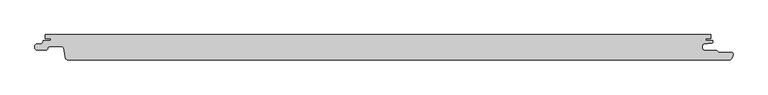
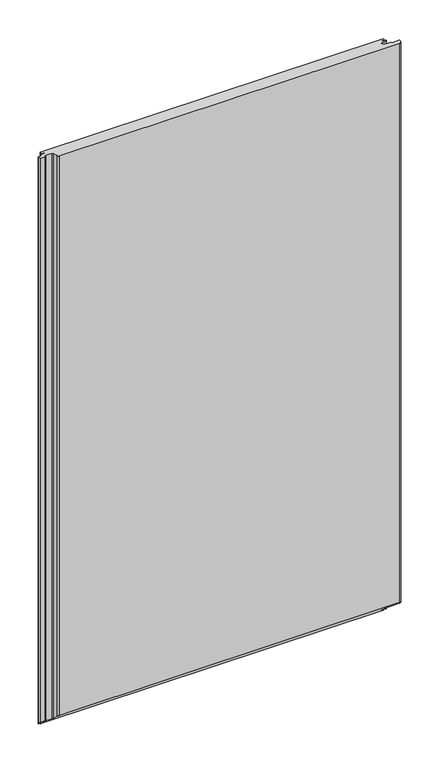
"""IFC4 building model written with IfcOpenShell, lengths in millimetres: proxy geometry."""

import ifcopenshell
import ifcopenshell.guid

model = None  # the IFC model being written
_history = None  # IfcOwnerHistory: only IFC2X3 demands one
_inside = {}  # id of a spatial element -> (the spatial element, [elements in it])
_under = {}  # id of a project, library or spatial element -> (it, [spatial elements below it])
_declared = {}  # id of a project -> (the project, [libraries it declares])
_typed = {}  # id of a type object -> (the type object, [elements of that type])
_made_of = {}  # id of a material, layer set ... -> (it, [elements and type objects made of it])


def new_model(schema):
    """Start an empty IFC model of exactly this schema.

    Asked for "IFC4X3", IfcOpenShell would pick the latest addendum, in which some entities
    have other attributes; the version numbers below select the first issue.
    IFC2X3 requires an IfcOwnerHistory on every rooted entity: one is made here for all.
    """
    global model, _history
    if schema == "IFC4X3":
        model = ifcopenshell.file(schema_version=(4, 3, 0, 0))
    else:
        model = ifcopenshell.file(schema=schema)
    _inside.clear()
    _under.clear()
    _declared.clear()
    _typed.clear()
    _made_of.clear()
    _history = None
    if model.schema == "IFC2X3":
        org = make("IfcOrganization", Name="unknown")
        user = make(
            "IfcPersonAndOrganization",
            ThePerson=make("IfcPerson", FamilyName="unknown"),
            TheOrganization=org,
        )
        app = make(
            "IfcApplication",
            ApplicationDeveloper=org,
            Version="unknown",
            ApplicationFullName="unknown",
            ApplicationIdentifier="unknown",
        )
        _history = make(
            "IfcOwnerHistory",
            OwningUser=user,
            OwningApplication=app,
            ChangeAction="ADDED",
            CreationDate=0,
        )
    return model


def make(cls, **values):
    """One entity of the class cls with the attributes given. An attribute that is None is left unset."""
    return model.create_entity(
        cls, **{name: value for name, value in values.items() if value is not None}
    )


def rooted(cls, **values):
    """An entity with a GlobalId (a new one), such as an element, a storey or a relation."""
    return make(cls, GlobalId=ifcopenshell.guid.new(), OwnerHistory=_history, **values)


def si_unit(unit_type, name, prefix=None):
    """IfcSIUnit, for example si_unit("LENGTHUNIT", "METRE", prefix="MILLI")."""
    return make("IfcSIUnit", UnitType=unit_type, Prefix=prefix, Name=name)


def assignment(units):
    """IfcUnitAssignment: the units of a project."""
    return None if units is None else make("IfcUnitAssignment", Units=units)


def point(xyz):
    """IfcCartesianPoint."""
    return None if xyz is None else make("IfcCartesianPoint", Coordinates=xyz)


def direction(xyz):
    """IfcDirection."""
    return None if xyz is None else make("IfcDirection", DirectionRatios=xyz)


def frame(location, z_axis=None, x_axis=None):
    """IfcAxis2Placement3D, a coordinate frame: its origin and axes. An axis left out is left unset."""
    return make(
        "IfcAxis2Placement3D",
        Location=point(location),
        Axis=direction(z_axis),
        RefDirection=direction(x_axis),
    )


def origin():
    """The frame at (0, 0, 0) with its axes left unset."""
    return frame((0.0, 0.0, 0.0))


def place(relative_to, where):
    """IfcLocalPlacement: puts the frame where relative to a parent placement (None: the world)."""
    return make(
        "IfcLocalPlacement", PlacementRelTo=relative_to, RelativePlacement=where
    )


def context(
    kind, dimensions, precision=None, world=None, true_north=None, identifier=None
):
    """IfcGeometricRepresentationContext, for example the 3D "Model" context."""
    return make(
        "IfcGeometricRepresentationContext",
        ContextIdentifier=identifier,
        ContextType=kind,
        CoordinateSpaceDimension=dimensions,
        Precision=precision,
        WorldCoordinateSystem=world,
        TrueNorth=true_north,
    )


def project(units=None, contexts=None):
    """IfcProject with its units and contexts."""
    return rooted(
        "IfcProject",
        Name="project",
        RepresentationContexts=contexts,
        UnitsInContext=assignment(units),
    )


def spatial(cls, under=None, at=None, **own):
    """A site, building, storey or space (cls), placed at a placement, below another one or the project."""
    s = rooted(cls, ObjectPlacement=at, **own)
    if under is not None:
        _under.setdefault(under.id(), (under, []))[1].append(s)
    return s


def polyline(points):
    """IfcPolyline through the points."""
    return make("IfcPolyline", Points=[point(p) for p in points])


def circle_curve(where, radius):
    """IfcCircle in the frame where."""
    return make("IfcCircle", Position=where, Radius=radius)


def ellipse_curve(where, semi_axis1, semi_axis2):
    """IfcEllipse in the frame where."""
    return make(
        "IfcEllipse", Position=where, SemiAxis1=semi_axis1, SemiAxis2=semi_axis2
    )


def shape(context_of_items, identifier, shape_type, items):
    """IfcShapeRepresentation: the items that make up one representation, for example the "Body"."""
    return make(
        "IfcShapeRepresentation",
        ContextOfItems=context_of_items,
        RepresentationIdentifier=identifier,
        RepresentationType=shape_type,
        Items=items,
    )


def source(mapping_origin, context_of_items, identifier, shape_type, items):
    """IfcRepresentationMap: a shape defined once, which mapped items show again and again."""
    return make(
        "IfcRepresentationMap",
        MappingOrigin=mapping_origin,
        MappedRepresentation=shape(context_of_items, identifier, shape_type, items),
    )


def transform(
    local_origin,
    x_axis=None,
    y_axis=None,
    z_axis=None,
    scale=None,
    scale2=None,
    scale3=None,
    uniform=True,
):
    """IfcCartesianTransformationOperator3D, or its non-uniform kind. x_axis, y_axis, z_axis: its Axis1, 2, 3."""
    if uniform:
        return make(
            "IfcCartesianTransformationOperator3D",
            Axis1=direction(x_axis),
            Axis2=direction(y_axis),
            LocalOrigin=point(local_origin),
            Scale=scale,
            Axis3=direction(z_axis),
        )
    return make(
        "IfcCartesianTransformationOperator3DnonUniform",
        Axis1=direction(x_axis),
        Axis2=direction(y_axis),
        LocalOrigin=point(local_origin),
        Scale=scale,
        Axis3=direction(z_axis),
        Scale2=scale2,
        Scale3=scale3,
    )


def mapped(mapping_source, mapping_target):
    """IfcMappedItem: shows the shape of a source again, moved by a transform."""
    return make(
        "IfcMappedItem", MappingSource=mapping_source, MappingTarget=mapping_target
    )


def made_of(thing, what):
    """Note that an element or type object is made of a material, layer set ...; save() writes the relation."""
    if what is not None:
        _made_of.setdefault(what.id(), (what, []))[1].append(thing)
    return thing


def element(
    cls,
    number,
    at=None,
    inside=None,
    cuts=None,
    type_object=None,
    material=None,
    context=None,
    identifier="Body",
    shape_type=None,
    held_by="IfcProductDefinitionShape",
    body=None,
    shapes=None,
    **own,
):
    """One element of the class cls, such as IfcWall. Its Tag is "e" and its number.

    at: its placement. inside: the storey or other place that contains it. cuts: it is an
    opening in that element (IfcRelVoidsElement). A single representation is given by context,
    identifier, shape_type and body (its items); several are given by shapes. held_by: the class
    of the entity that holds the representations. save() writes the other relations.
    """
    e = rooted(cls, Tag="e%d" % number, ObjectPlacement=at, **own)
    if body is not None:
        shapes = [shape(context, identifier, shape_type, body)]
    if shapes is not None:
        e.Representation = make(held_by, Representations=shapes)
    if inside is not None:
        _inside.setdefault(inside.id(), (inside, []))[1].append(e)
    if cuts is not None:
        rooted(
            "IfcRelVoidsElement", RelatingBuildingElement=cuts, RelatedOpeningElement=e
        )
    if type_object is not None:
        _typed.setdefault(type_object.id(), (type_object, []))[1].append(e)
    return made_of(e, material)


def aggregate(whole, parts):
    """IfcRelAggregates: a whole, such as a stair, and the parts it consists of."""
    return rooted("IfcRelAggregates", RelatingObject=whole, RelatedObjects=parts)


def save(model, path):
    """Write the relations noted so far, then the file.

    IfcRelAggregates (storeys below a building ...), IfcRelContainedInSpatialStructure (elements
    in a storey), IfcRelDefinesByType, IfcRelAssociatesMaterial and IfcRelDeclares: one each for
    every whole, place, type object, material and project.
    """
    for whole, parts in _under.values():
        aggregate(whole, parts)
    for where, things in _inside.values():
        rooted(
            "IfcRelContainedInSpatialStructure",
            RelatedElements=things,
            RelatingStructure=where,
        )
    for kind, things in _typed.values():
        rooted("IfcRelDefinesByType", RelatedObjects=things, RelatingType=kind)
    for what, things in _made_of.values():
        rooted("IfcRelAssociatesMaterial", RelatedObjects=things, RelatingMaterial=what)
    for by, libraries in _declared.values():
        rooted("IfcRelDeclares", RelatingContext=by, RelatedDefinitions=libraries)
    model.write(path)


def plane_surface(at):
    """IfcPlane: the flat surface through the origin of the frame at, square to its z axis."""
    return make("IfcPlane", Position=at)


def cylinder_surface(at, radius):
    """IfcCylindricalSurface: all points at the distance radius from the z axis of the frame at."""
    return make("IfcCylindricalSurface", Position=at, Radius=radius)


def revolved_surface(curve, axis_point, axis_direction):
    """IfcSurfaceOfRevolution: the curve turned about the line through axis_point along axis_direction."""
    return make(
        "IfcSurfaceOfRevolution",
        SweptCurve=make("IfcArbitraryOpenProfileDef", ProfileType="CURVE", Curve=curve),
        AxisPosition=make("IfcAxis1Placement", Location=point(axis_point), Axis=direction(axis_direction)),
    )


def advanced_brep(points, edges, surfaces, faces):
    """IfcAdvancedBrep: a solid bounded by faces that lie on surfaces and meet in shared edges.

    An edge is (start, end): straight between two places in points (the first is 0);
    or (start, end, curve); or (start, end, curve, False) where it runs against its curve.
    A face is (place in surfaces, loops), or (place, loops, False) where it looks against
    its surface's normal. A loop lists edges by number (the first is 1), with a minus sign
    where the edge is run from its end to its start. The first loop is the outer one.
    """
    corners = [point(p) for p in points]
    vertices = [make("IfcVertexPoint", VertexGeometry=c) for c in corners]
    made = []
    for start, end, *more in edges:
        made.append(
            make(
                "IfcEdgeCurve",
                EdgeStart=vertices[start],
                EdgeEnd=vertices[end],
                EdgeGeometry=more[0] if more else make("IfcPolyline", Points=[corners[start], corners[end]]),
                SameSense=more[1] if len(more) > 1 else True,
            )
        )
    hull = []
    for where, loops, *sense in faces:
        bounds = []
        for j, loop in enumerate(loops):
            ring = [make("IfcOrientedEdge", EdgeElement=made[abs(k) - 1], Orientation=k > 0) for k in loop]
            bounds.append(
                make(
                    "IfcFaceOuterBound" if j == 0 else "IfcFaceBound",
                    Bound=make("IfcEdgeLoop", EdgeList=ring),
                    Orientation=True,
                )
            )
        hull.append(make("IfcAdvancedFace", Bounds=bounds, FaceSurface=surfaces[where], SameSense=sense[0] if sense else True))
    return make("IfcAdvancedBrep", Outer=make("IfcClosedShell", CfsFaces=hull))


def generic_models_7d1af3aa(model_context):
    return source(origin(), model_context, "Body", "AdvancedBrep", [
        advanced_brep(
        [(484.3298107, -1.8000001, 1750.0), (484.3298107, 2.7224763, 1750.0), (486.6119534, 5.2129632, 1750.0), (498.354128, 6.2402726, 1750.0), (499.9, 8.6411684, 1750.0), (499.9, 10.0000004, 1750.0), (489.1798407, 10.0000004, 1750.0), (489.1798407, 13.0, 1750.0), (497.1797973, 13.0, 1750.0), (497.1797973, 19.0, 1750.0), (-496.8201817, 19.0, 1750.0), (-496.8201817, 13.0, 1750.0), (-488.8201818, 13.0, 1750.0), (-488.8201818, 10.0000004, 1750.0), (-500.0, 10.0000004, 1750.0), (-500.0, 9.2119514, 1750.0), (-502.1022925, 5.8003409, 1750.0), (-509.3990803, 5.1619547, 1750.0), (-512.3201819, 1.9741325, 1750.0), (-512.3201819, -0.8, 1750.0), (-509.1201818, -4.0, 1750.0), (-495.8890733, -4.0, 1750.0), (-493.4041499, -1.4803363, 1750.0), (-490.8699744, 1.0000008, 1750.0), (-471.869975, 1.0000008, 1750.0), (-469.4007538, -1.108914, 1750.0), (-467.2618449, -14.6134595, 1750.0), (-462.1258654, -19.0, 1750.0), (523.545754, -19.0, 1750.0), (529.0259034, -15.1970619, 1750.0), (530.1174781, -10.8771031, 1750.0), (527.5001275, -7.3, 1750.0), (508.408237, -7.3, 1750.0), (505.4082234, -4.2999995, 1750.0), (486.8298083, -4.2999995, 1750.0), (498.354128, 6.2402726, 13.4321149), (499.9, 8.6411684, 11.0883832), (486.8298083, -4.2999995, 23.7214281), (484.3298107, -1.8000001, 21.2809524), (505.4082234, -4.2999995, 23.7214281), (508.408237, -7.3, 26.65), (527.5001275, -7.3, 26.65), (530.1174781, -10.8771031, 30.141934), (529.0259034, -15.1970619, 34.3590366), (523.545754, -19.0, 38.0714286), (-462.1258654, -19.0, 38.0714286), (-467.2618449, -14.6134595, 33.7893295), (-469.4007538, -1.108914, 20.6063208), (-471.869975, 1.0000008, 18.5476183), (-490.8699744, 1.0000008, 18.5476183), (-493.3542541, -1.4766379, 20.9652893), (-495.8890733, -4.0, 23.4285715), (-509.1201818, -4.0, 23.4285715), (-512.3201819, -0.8, 20.3047619), (-512.3201819, 1.9741325, 17.5966802), (-509.3990803, 5.1619547, 14.4847585), (-502.1022925, 5.8003409, 13.8615719), (-500.0, 9.2119514, 10.5311903), (-500.0, 10.0000004, 9.7619044), (-488.8201818, 10.0000004, 9.7619044), (-488.8201818, 13.0, 6.8333334), (-496.8201817, 13.0, 6.8333334), (-496.8201817, 19.0, 0.9761905), (497.1797973, 19.0, 0.9761905), (497.1797973, 13.0, 6.8333334), (489.1798407, 13.0, 6.8333334), (489.1798407, 10.0000004, 9.7619044), (499.9, 10.0000004, 9.7619044), (486.6119534, 5.2129632, 14.4349645), (484.3298107, 2.7224763, 16.8661541)],
        [
            (0, 1),
            (1, 2, circle_curve(frame((487.1582199, 2.4215379, 1750.0), z_axis=(0.0, 0.0, -1.0), x_axis=(1.0, 0.0, 0.0)), 2.8443739)),
            (2, 3),
            (3, 4, circle_curve(frame((497.0478272, 8.7794849, 1750.0), z_axis=(0.0, 0.0, 1.0), x_axis=(1.0, 0.0, 0.0)), 2.8555247)),
            (4, 5),
            (5, 6),
            (6, 7),
            (7, 8),
            (8, 9),
            (9, 10),
            (10, 11),
            (11, 12),
            (12, 13),
            (13, 14),
            (14, 15),
            (15, 16, circle_curve(frame((-503.8193353, 9.2119514, 1750.0), z_axis=(0.0, 0.0, -1.0), x_axis=(1.0, 0.0, 0.0)), 3.8193353)),
            (16, 17),
            (17, 18, circle_curve(frame((-509.0519935, 1.9116485, 1750.0), z_axis=(0.0, 0.0, 1.0), x_axis=(1.0, 0.0, 0.0)), 3.2687857)),
            (18, 19),
            (19, 20, circle_curve(frame((-509.1681836, -0.8480017, 1750.0), z_axis=(0.0, 0.0, 1.0), x_axis=(1.0, 0.0, 0.0)), 3.1523638)),
            (20, 21),
            (21, 22, circle_curve(frame((-495.7478996, -1.6540644, 1750.0), z_axis=(0.0, 0.0, 1.0), x_axis=(1.0, 0.0, 0.0)), 2.3501795)),
            (22, 23, circle_curve(frame((-491.0480249, -1.3056909, 1750.0), z_axis=(0.0, 0.0, -1.0), x_axis=(1.0, 0.0, 0.0)), 2.3125562)),
            (23, 24),
            (24, 25, circle_curve(frame((-471.8642031, -1.4932414, 1750.0), z_axis=(0.0, 0.0, -1.0), x_axis=(1.0, 0.0, 0.0)), 2.4932489)),
            (25, 26),
            (26, 27, circle_curve(frame((-462.186788, -13.871331, 1750.0), z_axis=(0.0, 0.0, 1.0), x_axis=(1.0, 0.0, 0.0)), 5.1290309)),
            (27, 28),
            (28, 29, circle_curve(frame((523.545754, -13.15, 1750.0), z_axis=(0.0, 0.0, 1.0), x_axis=(1.0, 0.0, 0.0)), 5.85)),
            (29, 30),
            (30, 31, circle_curve(frame((527.1899828, -10.273035, 1750.0), z_axis=(0.0, 0.0, 1.0), x_axis=(1.0, 0.0, 0.0)), 2.9891683)),
            (31, 32),
            (32, 33),
            (33, 34),
            (34, 0, circle_curve(frame((486.8260066, -1.8038036, 1750.0), z_axis=(0.0, 0.0, -1.0), x_axis=(1.0, 0.0, 0.0)), 2.4961988)),
            (3, 35),
            (35, 36, ellipse_curve(frame((497.0478272, 8.7794849, 10.9533599), z_axis=(0.0, 0.6985367247883953, 0.7155742058807749), x_axis=(0.0, -0.715574205880775, 0.6985367247883953)), 3.990536, 2.8555247)),
            (36, 4),
            (34, 37),
            (37, 38, ellipse_curve(frame((486.8260066, -1.8038036, 21.2846654), z_axis=(0.0, -0.6985367247883953, -0.7155742058807749), x_axis=(0.0, 0.715574205880775, -0.6985367247883953)), 3.4883857, 2.4961988)),
            (38, 0),
            (33, 39),
            (39, 37),
            (32, 40),
            (40, 39),
            (31, 41),
            (41, 40),
            (30, 42),
            (42, 41, ellipse_curve(frame((527.1899828, -10.273035, 29.5522485), z_axis=(0.0, 0.6985367247883953, 0.7155742058807749), x_axis=(0.0, -0.715574205880775, 0.6985367247883953)), 4.1773002, 2.9891683)),
            (29, 43),
            (43, 42),
            (28, 44),
            (44, 43, ellipse_curve(frame((523.545754, -13.15, 32.3607143), z_axis=(0.0, 0.6985367247883953, 0.7155742058807749), x_axis=(0.0, -0.715574205880775, 0.6985367247883953)), 8.1752527, 5.85)),
            (27, 45),
            (45, 44),
            (26, 46),
            (46, 45, ellipse_curve(frame((-462.186788, -13.871331, 33.0648707), z_axis=(0.0, 0.6985367247883953, 0.7155742058807749), x_axis=(0.0, -0.715574205880775, 0.6985367247883953)), 7.1677134, 5.1290309)),
            (25, 47),
            (47, 46),
            (24, 48),
            (48, 47, ellipse_curve(frame((-471.8642031, -1.4932414, 20.9814976), z_axis=(0.0, -0.6985367247883953, -0.7155742058807749), x_axis=(0.0, 0.715574205880775, -0.6985367247883953)), 3.4842632, 2.4932489)),
            (23, 49),
            (49, 48),
            (22, 50),
            (50, 49, ellipse_curve(frame((-491.0480249, -1.3056909, 20.7984126), z_axis=(0.0, -0.6985367247883953, -0.7155742058807749), x_axis=(0.0, 0.715574205880775, -0.6985367247883953)), 3.231749, 2.3125562)),
            (21, 51),
            (51, 50, ellipse_curve(frame((-495.7478996, -1.6540644, 21.1384915), z_axis=(0.0, 0.6985367247883953, 0.7155742058807749), x_axis=(0.0, -0.715574205880775, 0.6985367247883953)), 3.2843268, 2.3501795)),
            (20, 52),
            (52, 51),
            (19, 53),
            (53, 52, ellipse_curve(frame((-509.1681836, -0.8480017, 20.3516207), z_axis=(0.0, 0.6985367247883953, 0.7155742058807749), x_axis=(0.0, -0.715574205880775, 0.6985367247883953)), 4.4053625, 3.1523638)),
            (18, 54),
            (54, 53),
            (17, 55),
            (55, 54, ellipse_curve(frame((-509.0519935, 1.9116485, 17.6576765), z_axis=(0.0, 0.6985367247883953, 0.7155742058807749), x_axis=(0.0, -0.715574205880775, 0.6985367247883953)), 4.5680597, 3.2687857)),
            (16, 56),
            (56, 55),
            (15, 57),
            (57, 56, ellipse_curve(frame((-503.8193353, 9.2119514, 10.5311903), z_axis=(0.0, -0.6985367247883953, -0.7155742058807749), x_axis=(0.0, 0.715574205880775, -0.6985367247883953)), 5.3374412, 3.8193353)),
            (14, 58),
            (58, 57),
            (13, 59),
            (59, 58),
            (12, 60),
            (60, 59),
            (11, 61),
            (61, 60),
            (10, 62),
            (62, 61),
            (9, 63),
            (63, 62),
            (8, 64),
            (64, 63),
            (7, 65),
            (65, 64),
            (6, 66),
            (66, 65),
            (5, 67),
            (67, 66),
            (36, 67),
            (2, 68),
            (68, 35),
            (1, 69),
            (69, 68, ellipse_curve(frame((487.1582199, 2.4215379, 17.1599273), z_axis=(0.0, -0.6985367247883953, -0.7155742058807749), x_axis=(0.0, 0.715574205880775, -0.6985367247883953)), 3.974953, 2.8443739)),
            (38, 69),
        ],
        [
            plane_surface(frame((489.3222054, -1.8038036, 1750.0), z_axis=(0.0, 0.0, 1.0), x_axis=(0.0, 1.0, 0.0))),
            cylinder_surface(frame((497.0478272, 8.7794849, 0.0), z_axis=(0.0, 0.0, 1.0), x_axis=(1.0, 0.0, 0.0)), 2.8555247),
            revolved_surface(polyline([(489.32220540000003, -1.8038036, 18.84789987832333), (489.32220540000003, -1.8038036, 1750.0)]), (486.8260066, -1.8038036, 0.0), (0.0, 0.0, -1.0)),
            plane_surface(frame((486.8298083, -4.2999995, 1750.0), z_axis=(0.0, 1.0, 0.0), x_axis=(0.0, 0.0, -1.0))),
            plane_surface(frame((505.4082234, -4.2999995, 1750.0), z_axis=(0.7071052289837289, 0.707108333385959, 0.0), x_axis=(0.0, 0.0, -1.0))),
            plane_surface(frame((508.408237, -7.3, 1750.0), z_axis=(0.0, 1.0, 0.0), x_axis=(0.0, 0.0, -1.0))),
            cylinder_surface(frame((527.1899828, -10.273035, 0.0), z_axis=(0.0, 0.0, 1.0), x_axis=(1.0, 0.0, 0.0)), 2.9891683),
            plane_surface(frame((530.1174781, -10.8771031, 1750.0), z_axis=(0.9695276443999398, -0.24498193146496328, 0.0), x_axis=(0.0, 0.0, -1.0))),
            cylinder_surface(frame((523.545754, -13.15, 0.0), z_axis=(0.0, 0.0, 1.0), x_axis=(1.0, 0.0, 0.0)), 5.85),
            plane_surface(frame((523.545754, -19.0, 1750.0), z_axis=(0.0, -1.0, 0.0), x_axis=(0.0, 0.0, -1.0))),
            cylinder_surface(frame((-462.186788, -13.871331, 0.0), z_axis=(0.0, 0.0, 1.0), x_axis=(1.0, 0.0, 0.0)), 5.1290309),
            plane_surface(frame((-467.2618449, -14.6134595, 1750.0), z_axis=(-0.9876883510848851, -0.15643439881055846, 0.0), x_axis=(0.0, 0.0, -1.0))),
            revolved_surface(polyline([(-469.37095419999997, -1.4932414, 18.547611795971267), (-469.37095419999997, -1.4932414, 1750.0)]), (-471.8642031, -1.4932414, 0.0), (0.0, 0.0, -1.0)),
            plane_surface(frame((-471.869975, 1.0000008, 1750.0), z_axis=(0.0, -1.0, 0.0), x_axis=(0.0, 0.0, -1.0))),
            revolved_surface(polyline([(-488.73546869999996, -1.3056909, 18.54091723820183), (-488.73546869999996, -1.3056909, 1750.0)]), (-491.0480249, -1.3056909, 0.0), (0.0, 0.0, -1.0)),
            cylinder_surface(frame((-495.7478996, -1.6540644, 0.0), z_axis=(0.0, 0.0, 1.0), x_axis=(1.0, 0.0, 0.0)), 2.3501795),
            plane_surface(frame((-495.8890733, -4.0, 1750.0), z_axis=(0.0, -1.0, 0.0), x_axis=(0.0, 0.0, -1.0))),
            cylinder_surface(frame((-509.1681836, -0.8480017, 0.0), z_axis=(0.0, 0.0, 1.0), x_axis=(1.0, 0.0, 0.0)), 3.1523638),
            plane_surface(frame((-512.3201819, -0.8, 1750.0), z_axis=(-1.0, 0.0, 0.0), x_axis=(0.0, 0.0, -1.0))),
            cylinder_surface(frame((-509.0519935, 1.9116485, 0.0), z_axis=(0.0, 0.0, 1.0), x_axis=(1.0, 0.0, 0.0)), 3.2687857),
            plane_surface(frame((-509.3990803, 5.1619547, 1750.0), z_axis=(-0.08715574563482881, 0.9961946978391508, 0.0), x_axis=(0.0, 0.0, -1.0))),
            revolved_surface(polyline([(-500.0, 9.2119514, 6.802791605401358), (-500.0, 9.2119514, 1750.0)]), (-503.8193353, 9.2119514, 0.0), (0.0, 0.0, -1.0)),
            plane_surface(frame((-500.0, 9.2119514, 1750.0), z_axis=(-1.0, 0.0, 0.0), x_axis=(0.0, 0.0, -1.0))),
            plane_surface(frame((-500.0, 10.0000004, 1750.0), z_axis=(0.0, 1.0, 0.0), x_axis=(0.0, 0.0, -1.0))),
            plane_surface(frame((-488.8201818, 10.0000004, 1750.0), z_axis=(-1.0, 0.0, 0.0), x_axis=(0.0, 0.0, -1.0))),
            plane_surface(frame((-488.8201818, 13.0, 1750.0), z_axis=(0.0, -1.0, 0.0), x_axis=(0.0, 0.0, -1.0))),
            plane_surface(frame((-496.8201817, 13.0, 1750.0), z_axis=(-1.0, 0.0, 0.0), x_axis=(0.0, 0.0, -1.0))),
            plane_surface(frame((-496.8201817, 19.0, 1750.0), z_axis=(0.0, 1.0, 0.0), x_axis=(0.0, 0.0, -1.0))),
            plane_surface(frame((497.1797973, 19.0, 1750.0), z_axis=(1.0, 0.0, 0.0), x_axis=(0.0, 0.0, -1.0))),
            plane_surface(frame((497.1797973, 13.0, 1750.0), z_axis=(0.0, -1.0, 0.0), x_axis=(0.0, 0.0, -1.0))),
            plane_surface(frame((489.1798407, 13.0, 1750.0), z_axis=(1.0, 0.0, 0.0), x_axis=(0.0, 0.0, -1.0))),
            plane_surface(frame((489.1798407, 10.0000004, 1750.0), z_axis=(0.0, 1.0, 0.0), x_axis=(0.0, 0.0, -1.0))),
            plane_surface(frame((499.9, 10.0000004, 1750.0), z_axis=(1.0, 0.0, 0.0), x_axis=(0.0, 0.0, -1.0))),
            plane_surface(frame((498.354128, 6.2402726, 1750.0), z_axis=(0.08715592552603066, -0.9961946821006932, 0.0), x_axis=(0.0, 0.0, -1.0))),
            revolved_surface(polyline([(490.0025938, 2.4215379, 14.383276650192194), (490.0025938, 2.4215379, 1750.0)]), (487.1582199, 2.4215379, 0.0), (0.0, 0.0, -1.0)),
            plane_surface(frame((484.3298107, 2.7224763, 1750.0), z_axis=(1.0, 0.0, 0.0), x_axis=(0.0, 0.0, -1.0))),
            plane_surface(frame((589.1510425, -22.0, 41.0), z_axis=(0.0, -0.6985367247883953, -0.7155742058807749), x_axis=(-1.0, 0.0, 0.0))),
        ],
        [
            (0, [[1, 2, 3, 4, 5, 6, 7, 8, 9, 10, 11, 12, 13, 14, 15, 16, 17, 18, 19, 20, 21, 22, 23, 24, 25, 26, 27, 28, 29, 30, 31, 32, 33, 34, 35]]),
            (1, [[36, 37, 38, -4]]),
            (2, [[39, 40, 41, -35]]),
            (3, [[42, 43, -39, -34]]),
            (4, [[44, 45, -42, -33]]),
            (5, [[46, 47, -44, -32]]),
            (6, [[48, 49, -46, -31]]),
            (7, [[50, 51, -48, -30]]),
            (8, [[52, 53, -50, -29]]),
            (9, [[54, 55, -52, -28]]),
            (10, [[56, 57, -54, -27]]),
            (11, [[58, 59, -56, -26]]),
            (12, [[60, 61, -58, -25]]),
            (13, [[62, 63, -60, -24]]),
            (14, [[64, 65, -62, -23]]),
            (15, [[66, 67, -64, -22]]),
            (16, [[68, 69, -66, -21]]),
            (17, [[70, 71, -68, -20]]),
            (18, [[72, 73, -70, -19]]),
            (19, [[74, 75, -72, -18]]),
            (20, [[76, 77, -74, -17]]),
            (21, [[78, 79, -76, -16]]),
            (22, [[80, 81, -78, -15]]),
            (23, [[82, 83, -80, -14]]),
            (24, [[84, 85, -82, -13]]),
            (25, [[86, 87, -84, -12]]),
            (26, [[88, 89, -86, -11]]),
            (27, [[90, 91, -88, -10]]),
            (28, [[92, 93, -90, -9]]),
            (29, [[94, 95, -92, -8]]),
            (30, [[96, 97, -94, -7]]),
            (31, [[98, 99, -96, -6]]),
            (32, [[-38, 100, -98, -5]]),
            (33, [[101, 102, -36, -3]]),
            (34, [[103, 104, -101, -2]]),
            (35, [[-41, 105, -103, -1]]),
            (36, [[-43, -45, -47, -49, -51, -53, -55, -57, -59, -61, -63, -65, -67, -69, -71, -73, -75, -77, -79, -81, -83, -85, -87, -89, -91, -93, -95, -97, -99, -100, -37, -102, -104, -105, -40]]),
        ],
    ),
    ])


if __name__ == "__main__":
    model = new_model("IFC4")
    model_context = context("Model", 3, world=origin())
    ifc_project = project(units=[si_unit("LENGTHUNIT", "METRE", prefix="MILLI")], contexts=[model_context])
    site = spatial("IfcSite", under=ifc_project)
    building = spatial("IfcBuilding", under=site)
    placement = place(None, origin())
    generic_models_shape = generic_models_7d1af3aa(model_context)
    element("IfcBuildingElementProxy", 1, Name="Generic Models", at=placement, inside=building, context=model_context, shape_type="MappedRepresentation", body=[
        mapped(generic_models_shape, transform((0.0, 0.0, 0.0), x_axis=(1.0, 0.0, 0.0), y_axis=(0.0, 1.0, 0.0), z_axis=(0.0, 0.0, 1.0))),
    ])
    save(model, "model.ifc")
